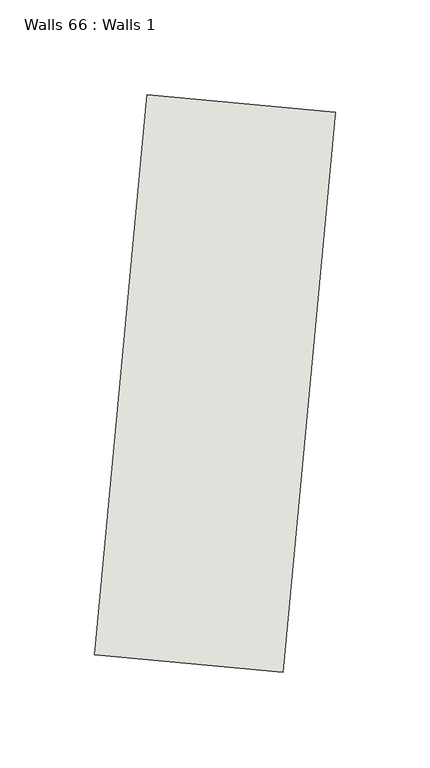
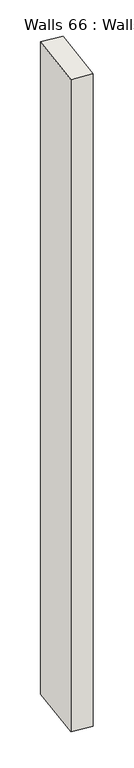
"""IFC4 building model written with IfcOpenShell, lengths in millimetres: wall geometry, Walls 66 : Walls 1."""

from ifc_helpers import new_model, si_unit, origin, origin_with_axes, place, context, project, spatial, polyline, outline, extrude, source, transform, mapped, element, save


def walls_66_walls_1_e5d56a17(model_context):
    return source(origin(), model_context, "Body", "SweptSolid", [
        extrude(outline(polyline([(5472.7696329, 1490.8999698), (5500.3798505, 1786.3413619), (5599.9460065, 1777.0364936), (5572.3357889, 1481.5951015), (5472.7696329, 1490.8999698)])), origin_with_axes(), (0.0, 0.0, 1.0), 3244.8651638),
    ])


if __name__ == "__main__":
    model = new_model("IFC4")
    model_context = context("Model", 3, world=origin())
    ifc_project = project(units=[si_unit("LENGTHUNIT", "METRE", prefix="MILLI")], contexts=[model_context])
    site = spatial("IfcSite", under=ifc_project)
    building = spatial("IfcBuilding", under=site)
    placement = place(None, origin())
    walls_66_walls_1_shape = walls_66_walls_1_e5d56a17(model_context)
    element("IfcWall", 1, ObjectType="Walls 66 : Walls 1", at=placement, inside=building, context=model_context, shape_type="MappedRepresentation", body=[
        mapped(walls_66_walls_1_shape, transform((0.0, 0.0, 0.0), x_axis=(1.0, 0.0, 0.0), y_axis=(0.0, 1.0, 0.0), z_axis=(0.0, 0.0, 1.0))),
    ])
    save(model, "model.ifc")
